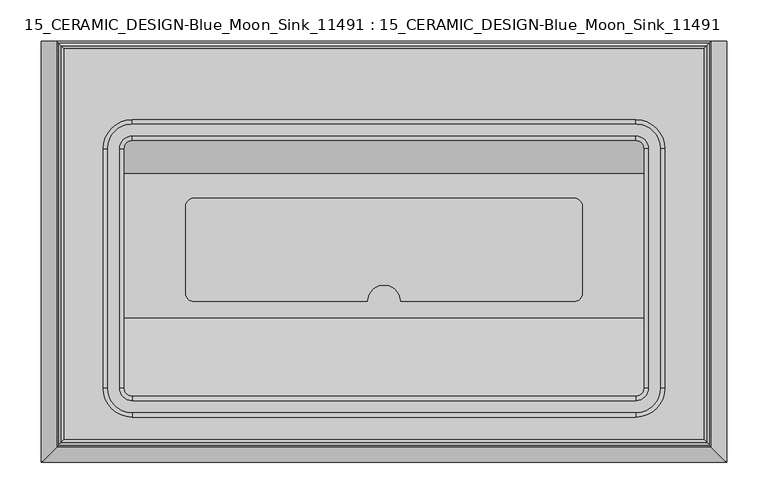
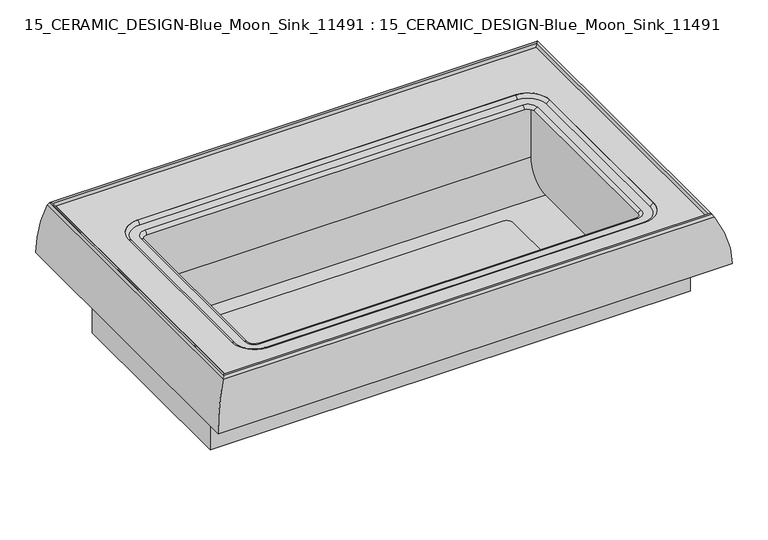
"""IFC4 building model written with IfcOpenShell, lengths in millimetres: proxy geometry, 15_CERAMIC_DESIGN-Blue_Moon_Sink_11491 : 15_CERAMIC_DESIGN-Blue_Moon_Sink_11491."""

from ifc_helpers import new_model, si_unit, point, frame, frame_2d, origin, place, context, project, spatial, polyline, circle_curve, ellipse_curve, trimmed, segment, composite_curve, outline, extrude, source, transform, mapped, element, save
from ifc_brep_helpers import plane_surface, cylinder_surface, revolved_surface, advanced_brep


def proxy_15_ceramic_design_blue_moon_sink_11491_15_ceramic_852ec5a0(model_context):
    return source(origin(), model_context, "Body", "SolidModel", [
        extrude(outline(composite_curve([segment(polyline([(-240.0, -305.0), (-240.0, -200.0)]), True, "CONTINUOUS"), segment(trimmed(circle_curve(frame_2d((-230.0, -200.0)), 10.0), [point((-240.0, -200.0))], [point((-230.0, -190.0))], False, "CARTESIAN"), True, "CONTINUOUS"), segment(polyline([(-230.0, -190.0), (0.0, -190.0), (230.0, -190.0)]), True, "CONTINUOUS"), segment(trimmed(circle_curve(frame_2d((230.0, -200.0)), 10.0), [point((230.0, -190.0))], [point((240.0, -200.0))], False, "CARTESIAN"), True, "CONTINUOUS"), segment(polyline([(240.0, -200.0), (240.0, -305.0)]), True, "CONTINUOUS"), segment(trimmed(circle_curve(frame_2d((230.0, -305.0)), 10.0), [point((240.0, -305.0))], [point((230.0, -315.0))], False, "CARTESIAN"), True, "CONTINUOUS"), segment(polyline([(230.0, -315.0), (20.0, -315.0)]), True, "CONTINUOUS"), segment(trimmed(circle_curve(frame_2d((0.0, -315.0)), 20.0), [point((20.0, -315.0))], [point((-20.0, -315.0))], True, "CARTESIAN"), True, "CONTINUOUS"), segment(polyline([(-20.0, -315.0), (-230.0, -315.0)]), True, "CONTINUOUS"), segment(trimmed(circle_curve(frame_2d((-230.0, -305.0)), 10.0), [point((-230.0, -315.0))], [point((-240.0, -305.0))], False, "CARTESIAN"), True, "CONTINUOUS")], self_intersect=False)), frame((0.0, 0.0, 760.941901), z_axis=(0.0, 0.0, 1.0), x_axis=(1.0, 0.0, 0.0)), (0.0, 0.0, 1.0), 2.0407983),
        advanced_brep(
        [(-315.0, -160.0, 760.0), (-315.0, -120.0, 800.0), (-315.0, -120.0, 884.6404824), (-315.0, -129.9999964, 884.6404824), (-315.0, -420.0, 884.6404824), (-315.0, -430.0, 884.6404824), (-315.0, -430.0, 864.6404824), (-315.0, -334.7858212, 760.0), (-387.6826632, -110.0, 820.0), (-387.6826632, -110.0, 740.0), (-387.6826632, -440.0, 740.0), (-387.6826632, -440.0, 820.0), (387.6826632, -440.0, 820.0), (387.6826632, -440.0, 740.0), (387.6826632, -110.0, 740.0), (387.6826632, -110.0, 820.0), (315.0, -160.0, 760.0), (315.0, -120.0, 800.0), (315.0, -334.7858212, 760.0), (315.0, -430.0, 864.6404824), (-305.0000293, -430.0, 884.6404824), (305.0, -430.0, 884.6404824), (315.0, -430.0, 884.6404824), (415.0, 0.0, 820.0), (415.0, -510.0, 820.0), (-415.0, -510.0, 820.0), (-415.0, 0.0, 820.0), (-30.0, -235.0, 740.0), (30.0, -235.0, 740.0), (-22.5, -235.0, 740.0), (22.5, -235.0, 740.0), (315.0, -120.0, 884.6404824), (305.0000087, -120.0, 884.6404824), (-305.0, -120.0, 884.6404824), (315.0, -420.0000303, 884.6404824), (315.0, -130.0, 884.6404824), (-396.3329403, 0.0, 895.0), (396.3329403, 0.0, 895.0), (-396.3329403, -491.3329403, 895.0), (396.3329403, -491.3329403, 895.0), (-391.138602, -486.138602, 898.4559388), (-393.9217774, -488.9217774, 899.3771994), (393.9217774, -488.9217774, 899.3771994), (391.138602, -486.138602, 898.4559388), (387.6826632, -482.6826632, 895.0), (-387.6826632, -482.6826632, 895.0), (393.9217774, -2.4111629, 899.3771994), (391.138602, -5.1943382, 898.4559388), (387.6826632, -8.6502771, 895.0), (-393.9217774, -2.4111629, 899.3771994), (-391.138602, -5.1943382, 898.4559388), (-387.6826632, -8.6502771, 895.0), (-305.0, -450.0, 889.6404824), (-335.0, -420.0, 889.6404824), (-340.0, -420.0, 894.6404824), (-305.0, -455.0, 894.6404824), (-320.0, -420.0, 889.6404824), (-305.0, -435.0, 889.6404824), (305.0, -455.0, 894.6404824), (305.0, -450.0, 889.6404824), (305.0, -435.0, 889.6404824), (340.0, -420.0, 894.6404824), (335.0, -420.0, 889.6404824), (320.0, -420.0, 889.6404824), (340.0, -130.0, 894.6404824), (335.0, -130.0, 889.6404824), (320.0, -130.0, 889.6404824), (305.0, -95.0, 894.6404824), (305.0, -100.0, 889.6404824), (305.0, -115.0, 889.6404824), (-305.0, -95.0, 894.6404824), (-305.0, -100.0, 889.6404824), (-305.0, -115.0, 889.6404824), (-340.0, -130.0, 894.6404824), (-335.0, -130.0, 889.6404824), (-320.0, -130.0, 889.6404824), (-340.0, -420.0, 895.0), (-340.0, -130.0, 895.0), (-305.0, -95.0, 895.0), (305.0, -95.0, 895.0), (340.0, -130.0, 895.0), (340.0, -420.0, 895.0), (305.0, -455.0, 895.0), (-305.0, -455.0, 895.0), (-30.0, -235.0, 700.0), (30.0, -235.0, 700.0), (-22.5, -235.0, 700.0), (22.5, -235.0, 700.0)],
        [
            (0, 1, circle_curve(frame((-315.0, -160.0, 800.0), z_axis=(1.0, 0.0, 0.0), x_axis=(0.0, -1.0, 0.0)), 40.0)),
            (1, 2),
            (2, 3),
            (3, 4),
            (4, 5),
            (5, 6),
            (6, 7, circle_curve(frame((-315.0, -324.8929106, 864.6404824), z_axis=(1.0, 0.0, 0.0), x_axis=(0.0, -1.0, 0.0)), 105.1070894)),
            (7, 0),
            (8, 9),
            (9, 10),
            (10, 11),
            (11, 8),
            (12, 13),
            (13, 14),
            (14, 15),
            (15, 12),
            (0, 16),
            (16, 17, circle_curve(frame((315.0, -160.0, 800.0), z_axis=(1.0, 0.0, 0.0), x_axis=(0.0, -1.0, 0.0)), 40.0)),
            (17, 1),
            (7, 18),
            (18, 16),
            (6, 19),
            (19, 18, circle_curve(frame((315.0, -324.8929106, 864.6404824), z_axis=(1.0, 0.0, 0.0), x_axis=(0.0, -1.0, 0.0)), 105.1070894)),
            (5, 20),
            (20, 21),
            (21, 22),
            (22, 19),
            (23, 24),
            (24, 25),
            (25, 26),
            (26, 23),
            (11, 12),
            (15, 8),
            (10, 13),
            (9, 14),
            (27, 28, circle_curve(frame((0.0, -235.0, 740.0), z_axis=(0.0, 0.0, 1.0), x_axis=(1.0, 0.0, 0.0)), 30.0)),
            (28, 27, circle_curve(frame((0.0, -235.0, 740.0), z_axis=(0.0, 0.0, 1.0), x_axis=(1.0, 0.0, 0.0)), 30.0)),
            (29, 30, circle_curve(frame((0.0, -235.0, 740.0), z_axis=(0.0, 0.0, -1.0), x_axis=(1.0, 0.0, 0.0)), 22.5)),
            (30, 29, circle_curve(frame((0.0, -235.0, 740.0), z_axis=(0.0, 0.0, -1.0), x_axis=(1.0, 0.0, 0.0)), 22.5)),
            (17, 31),
            (31, 32),
            (32, 33),
            (33, 2),
            (22, 34),
            (34, 35),
            (35, 31),
            (26, 36, circle_curve(frame((-255.0, 0.0, 820.0), z_axis=(0.0, 1.0, 0.0), x_axis=(1.0, 0.0, 0.0)), 160.0)),
            (36, 37),
            (37, 23, circle_curve(frame((255.0, 0.0, 820.0), z_axis=(0.0, 1.0, 0.0), x_axis=(-1.0, 0.0, 0.0)), 160.0)),
            (25, 38, ellipse_curve(frame((-255.0, -350.0, 820.0), z_axis=(-0.7071067811865469, 0.707106781186548, 0.0), x_axis=(0.7071067811865479, 0.7071067811865471, 0.0)), 226.27417, 160.0)),
            (38, 36),
            (24, 39, ellipse_curve(frame((255.0, -350.0, 820.0), z_axis=(-0.707106781186548, -0.707106781186547, 0.0), x_axis=(-0.707106781186547, 0.707106781186548, 0.0)), 226.27417, 160.0)),
            (39, 38),
            (37, 39),
            (40, 41, ellipse_curve(frame((-392.6826632, -487.6826632, 898.4559388), z_axis=(0.7071067811865468, -0.7071067811865482, 0.0), x_axis=(-0.7071067811865482, -0.7071067811865468, 0.0)), 2.1836322, 1.5440612)),
            (41, 42),
            (42, 43, ellipse_curve(frame((392.6826632, -487.6826632, 898.4559388), z_axis=(-0.7071067811865482, -0.7071067811865467, 0.0), x_axis=(-0.7071067811865469, 0.7071067811865481, 0.0)), 2.1836322, 1.5440612)),
            (43, 40),
            (43, 44, ellipse_curve(frame((387.6826632, -482.6826632, 898.4559388), z_axis=(0.7071067811865482, 0.7071067811865467, 0.0), x_axis=(0.7071067811865469, -0.7071067811865481, 0.0)), 4.8874356, 3.4559388)),
            (44, 45),
            (45, 40, ellipse_curve(frame((-387.6826632, -482.6826632, 898.4559388), z_axis=(-0.7071067811865468, 0.7071067811865482, 0.0), x_axis=(0.7071067811865482, 0.7071067811865468, 0.0)), 4.8874356, 3.4559388)),
            (41, 38, ellipse_curve(frame((-255.0, -350.0, 820.0), z_axis=(0.7071067811865468, -0.7071067811865482, 0.0), x_axis=(-0.7071067811865482, -0.7071067811865468, 0.0)), 226.27417, 160.0)),
            (39, 42, ellipse_curve(frame((255.0, -350.0, 820.0), z_axis=(-0.7071067811865482, -0.7071067811865467, 0.0), x_axis=(-0.7071067811865469, 0.7071067811865481, 0.0)), 226.27417, 160.0)),
            (42, 46),
            (46, 47, ellipse_curve(frame((392.6826632, -3.6502771, 898.4559388), z_axis=(0.7071067811865468, -0.7071067811865481, 0.0), x_axis=(-0.707106781186548, -0.7071067811865469, 0.0)), 2.1836322, 1.5440612)),
            (47, 43),
            (47, 48, ellipse_curve(frame((387.6826632, -8.6502771, 898.4559388), z_axis=(-0.7071067811865468, 0.7071067811865481, 0.0), x_axis=(0.707106781186548, 0.7071067811865469, 0.0)), 4.8874356, 3.4559388)),
            (48, 44),
            (37, 46, ellipse_curve(frame((255.0, -141.3329403, 820.0), z_axis=(0.7071067811865468, -0.7071067811865481, 0.0), x_axis=(-0.707106781186548, -0.7071067811865469, 0.0)), 226.27417, 160.0)),
            (46, 49),
            (49, 50, ellipse_curve(frame((-392.6826632, -3.6502771, 898.4559388), z_axis=(0.7071067811865481, 0.7071067811865469, 0.0), x_axis=(0.7071067811865469, -0.707106781186548, 0.0)), 2.1836322, 1.5440612)),
            (50, 47),
            (50, 51, ellipse_curve(frame((-387.6826632, -8.6502771, 898.4559388), z_axis=(-0.7071067811865481, -0.7071067811865469, 0.0), x_axis=(-0.7071067811865469, 0.707106781186548, 0.0)), 4.8874356, 3.4559388)),
            (51, 48),
            (36, 49, ellipse_curve(frame((-255.0, -141.3329403, 820.0), z_axis=(0.7071067811865481, 0.7071067811865469, 0.0), x_axis=(0.7071067811865469, -0.707106781186548, 0.0)), 226.27417, 160.0)),
            (40, 50),
            (49, 41),
            (45, 51),
            (52, 53, circle_curve(frame((-305.0, -420.0, 889.6404824), z_axis=(0.0, 0.0, -1.0), x_axis=(-1.0, 0.0, 0.0)), 30.0)),
            (53, 54, circle_curve(frame((-340.0, -420.0, 889.6404824), z_axis=(0.0, -1.0, 0.0), x_axis=(1.0, 0.0, 0.0)), 5.0)),
            (54, 55, circle_curve(frame((-305.0, -420.0, 894.6404824), z_axis=(0.0, 0.0, 1.0), x_axis=(-1.0, 0.0, 0.0)), 35.0)),
            (55, 52, circle_curve(frame((-305.0, -455.0, 889.6404824), z_axis=(-1.0, 0.0, 0.0), x_axis=(0.0, 1.0, 0.0)), 5.0)),
            (20, 4, circle_curve(frame((-305.0, -420.0, 884.6404824), z_axis=(0.0, 0.0, -1.0), x_axis=(-1.0, 0.0, 0.0)), 10.0)),
            (4, 56, circle_curve(frame((-320.0, -420.0, 884.6404824), z_axis=(0.0, -1.0, 0.0), x_axis=(1.0, 0.0, 0.0)), 5.0)),
            (56, 57, circle_curve(frame((-305.0, -420.0, 889.6404824), z_axis=(0.0, 0.0, 1.0), x_axis=(-1.0, 0.0, 0.0)), 15.0)),
            (57, 20, circle_curve(frame((-305.0, -435.0, 884.6404824), z_axis=(-1.0, 0.0, 0.0), x_axis=(0.0, 1.0, 0.0)), 5.0)),
            (55, 58),
            (58, 59, circle_curve(frame((305.0, -455.0, 889.6404824), z_axis=(-1.0, 0.0, 0.0), x_axis=(0.0, 1.0, 0.0)), 5.0)),
            (59, 52),
            (57, 60),
            (60, 21, circle_curve(frame((305.0, -435.0, 884.6404824), z_axis=(-1.0, 0.0, 0.0), x_axis=(0.0, 1.0, 0.0)), 5.0)),
            (58, 61, circle_curve(frame((305.0, -420.0, 894.6404824), z_axis=(0.0, 0.0, 1.0), x_axis=(0.0, -1.0, 0.0)), 35.0)),
            (61, 62, circle_curve(frame((340.0, -420.0, 889.6404824), z_axis=(0.0, -1.0, 0.0), x_axis=(-1.0, 0.0, 0.0)), 5.0)),
            (62, 59, circle_curve(frame((305.0, -420.0, 889.6404824), z_axis=(0.0, 0.0, -1.0), x_axis=(0.0, -1.0, 0.0)), 30.0)),
            (60, 63, circle_curve(frame((305.0, -420.0, 889.6404824), z_axis=(0.0, 0.0, 1.0), x_axis=(0.0, -1.0, 0.0)), 15.0)),
            (63, 34, circle_curve(frame((320.0, -420.0, 884.6404824), z_axis=(0.0, -1.0, 0.0), x_axis=(-1.0, 0.0, 0.0)), 5.0)),
            (34, 21, circle_curve(frame((305.0, -420.0, 884.6404824), z_axis=(0.0, 0.0, -1.0), x_axis=(0.0, -1.0, 0.0)), 10.0)),
            (61, 64),
            (64, 65, circle_curve(frame((340.0, -130.0, 889.6404824), z_axis=(0.0, -1.0, 0.0), x_axis=(-1.0, 0.0, 0.0)), 5.0)),
            (65, 62),
            (63, 66),
            (66, 35, circle_curve(frame((320.0, -130.0, 884.6404824), z_axis=(0.0, -1.0, 0.0), x_axis=(-1.0, 0.0, 0.0)), 5.0)),
            (64, 67, circle_curve(frame((305.0, -130.0, 894.6404824), z_axis=(0.0, 0.0, 1.0), x_axis=(1.0, 0.0, 0.0)), 35.0)),
            (67, 68, circle_curve(frame((305.0, -95.0, 889.6404824), z_axis=(1.0, 0.0, 0.0), x_axis=(0.0, -1.0, 0.0)), 5.0)),
            (68, 65, circle_curve(frame((305.0, -130.0, 889.6404824), z_axis=(0.0, 0.0, -1.0), x_axis=(1.0, 0.0, 0.0)), 30.0)),
            (66, 69, circle_curve(frame((305.0, -130.0, 889.6404824), z_axis=(0.0, 0.0, 1.0), x_axis=(1.0, 0.0, 0.0)), 15.0)),
            (69, 32, circle_curve(frame((305.0, -115.0, 884.6404824), z_axis=(1.0, 0.0, 0.0), x_axis=(0.0, -1.0, 0.0)), 5.0)),
            (32, 35, circle_curve(frame((305.0, -130.0, 884.6404824), z_axis=(0.0, 0.0, -1.0), x_axis=(1.0, 0.0, 0.0)), 10.0)),
            (67, 70),
            (70, 71, circle_curve(frame((-305.0, -95.0, 889.6404824), z_axis=(1.0, 0.0, 0.0), x_axis=(0.0, -1.0, 0.0)), 5.0)),
            (71, 68),
            (69, 72),
            (72, 33, circle_curve(frame((-305.0, -115.0, 884.6404824), z_axis=(1.0, 0.0, 0.0), x_axis=(0.0, -1.0, 0.0)), 5.0)),
            (70, 73, circle_curve(frame((-305.0, -130.0, 894.6404824), z_axis=(0.0, 0.0, 1.0), x_axis=(0.0, 1.0, 0.0)), 35.0)),
            (73, 74, circle_curve(frame((-340.0, -130.0, 889.6404824), z_axis=(0.0, 1.0, 0.0), x_axis=(1.0, 0.0, 0.0)), 5.0)),
            (74, 71, circle_curve(frame((-305.0, -130.0, 889.6404824), z_axis=(0.0, 0.0, -1.0), x_axis=(0.0, 1.0, 0.0)), 30.0)),
            (72, 75, circle_curve(frame((-305.0, -130.0, 889.6404824), z_axis=(0.0, 0.0, 1.0), x_axis=(0.0, 1.0, 0.0)), 15.0)),
            (75, 3, circle_curve(frame((-320.0, -130.0, 884.6404824), z_axis=(0.0, 1.0, 0.0), x_axis=(1.0, 0.0, 0.0)), 5.0)),
            (3, 33, circle_curve(frame((-305.0, -130.0, 884.6404824), z_axis=(0.0, 0.0, -1.0), x_axis=(0.0, 1.0, 0.0)), 10.0)),
            (53, 74),
            (73, 54),
            (56, 75),
            (76, 77),
            (77, 78, circle_curve(frame((-305.0, -130.0, 895.0), z_axis=(0.0, 0.0, -1.0), x_axis=(0.0, 1.0, 0.0)), 35.0)),
            (78, 79),
            (79, 80, circle_curve(frame((305.0, -130.0, 895.0), z_axis=(0.0, 0.0, -1.0), x_axis=(1.0, 0.0, 0.0)), 35.0)),
            (80, 81),
            (81, 82, circle_curve(frame((305.0, -420.0, 895.0), z_axis=(0.0, 0.0, -1.0), x_axis=(0.0, -1.0, 0.0)), 35.0)),
            (82, 83),
            (83, 76, circle_curve(frame((-305.0, -420.0, 895.0), z_axis=(0.0, 0.0, -1.0), x_axis=(-1.0, 0.0, 0.0)), 35.0)),
            (76, 54),
            (73, 77),
            (70, 78),
            (67, 79),
            (64, 80),
            (61, 81),
            (58, 82),
            (55, 83),
            (84, 85, circle_curve(frame((0.0, -235.0, 700.0), z_axis=(0.0, 0.0, -1.0), x_axis=(1.0, 0.0, 0.0)), 30.0)),
            (85, 84, circle_curve(frame((0.0, -235.0, 700.0), z_axis=(0.0, 0.0, -1.0), x_axis=(1.0, 0.0, 0.0)), 30.0)),
            (86, 87, circle_curve(frame((0.0, -235.0, 700.0), z_axis=(0.0, 0.0, 1.0), x_axis=(1.0, 0.0, 0.0)), 22.5)),
            (87, 86, circle_curve(frame((0.0, -235.0, 700.0), z_axis=(0.0, 0.0, 1.0), x_axis=(1.0, 0.0, 0.0)), 22.5)),
            (85, 28),
            (27, 84),
            (87, 30),
            (29, 86),
        ],
        [
            plane_surface(frame((-315.0, -430.0, 864.6404824), z_axis=(1.0, 0.0, 0.0), x_axis=(0.0, 0.0, -1.0))),
            plane_surface(frame((-387.6826632, -430.0, 864.6404824), z_axis=(-1.0, 0.0, 0.0), x_axis=(0.0, 0.0, 1.0))),
            plane_surface(frame((387.6826632, -200.0, 800.0), z_axis=(1.0, 0.0, 0.0), x_axis=(0.0, 0.0, 1.0))),
            revolved_surface(polyline([(-315.0, -200.0, 800.0), (315.0, -200.0, 800.0)]), (-387.6826632, -160.0, 800.0), (-1.0, 0.0, 0.0)),
            plane_surface(frame((387.6826632, -160.0, 760.0), z_axis=(0.0, 0.0, 1.0), x_axis=(-1.0, 0.0, 0.0))),
            revolved_surface(polyline([(-315.0, -430.0, 864.6404824), (315.0, -430.0, 864.6404824)]), (-387.6826632, -324.8929106, 864.6404824), (-1.0, 0.0, 0.0)),
            plane_surface(frame((387.6826632, -430.0, 864.6404824), z_axis=(0.0, 1.0, 0.0), x_axis=(-1.0, 0.0, 0.0))),
            plane_surface(frame((387.6826632, -482.6826632, 820.0), z_axis=(0.0, 0.0, -1.0), x_axis=(-1.0, 0.0, 0.0))),
            plane_surface(frame((387.6826632, -440.0, 820.0), z_axis=(0.0, -1.0, 0.0), x_axis=(-1.0, 0.0, 0.0))),
            plane_surface(frame((387.6826632, -440.0, 740.0), z_axis=(0.0, 0.0, -1.0), x_axis=(-1.0, 0.0, 0.0))),
            plane_surface(frame((387.6826632, -110.0, 740.0), z_axis=(0.0, 1.0, 0.0), x_axis=(-1.0, 0.0, 0.0))),
            plane_surface(frame((387.6826632, -120.0, 884.6404824), z_axis=(0.0, -1.0, 0.0), x_axis=(-1.0, 0.0, 0.0))),
            plane_surface(frame((315.0, -430.0, 864.6404824), z_axis=(-1.0, 0.0, 0.0), x_axis=(0.0, 0.0, 1.0))),
            plane_surface(frame((-415.0, 0.0, 820.0), z_axis=(0.0, 1.0, 0.0), x_axis=(0.0, 0.0, 1.0))),
            cylinder_surface(frame((-255.0, 0.0, 820.0), z_axis=(0.0, 1.0, 0.0), x_axis=(1.0, 0.0, 0.0)), 160.0),
            cylinder_surface(frame((-415.0, -350.0, 820.0), z_axis=(-1.0, 0.0, 0.0), x_axis=(0.0, 1.0, 0.0)), 160.0),
            cylinder_surface(frame((255.0, -510.0, 820.0), z_axis=(0.0, -1.0, 0.0), x_axis=(-1.0, 0.0, 0.0)), 160.0),
            cylinder_surface(frame((-396.3329403, -487.6826632, 898.4559388), z_axis=(-1.0, 0.0, 0.0), x_axis=(0.0, 1.0, 0.0)), 1.5440612),
            revolved_surface(polyline([(391.13860205537253, -479.22672439999997, 898.4559388), (-391.13860205537253, -479.22672439999997, 898.4559388)]), (-396.3329403, -482.6826632, 898.4559388), (1.0, 0.0, 0.0)),
            cylinder_surface(frame((-396.3329403, -350.0, 820.0), z_axis=(-1.0, 0.0, 0.0), x_axis=(0.0, 1.0, 0.0)), 160.0),
            cylinder_surface(frame((392.6826632, -491.3329403, 898.4559388), z_axis=(0.0, -1.0, 0.0), x_axis=(-1.0, 0.0, 0.0)), 1.5440612),
            revolved_surface(polyline([(384.22672439999997, -5.194338200000004, 898.4559388), (384.22672439999997, -486.13860205537253, 898.4559388)]), (387.6826632, -491.3329403, 898.4559388), (0.0, 1.0, 0.0)),
            cylinder_surface(frame((255.0, -491.3329403, 820.0), z_axis=(0.0, -1.0, 0.0), x_axis=(-1.0, 0.0, 0.0)), 160.0),
            cylinder_surface(frame((396.3329403, -3.6502771, 898.4559388), z_axis=(1.0, 0.0, 0.0), x_axis=(0.0, -1.0, 0.0)), 1.5440612),
            revolved_surface(polyline([(-391.13860205537253, -12.1062159, 898.4559388), (391.13860205537253, -12.1062159, 898.4559388)]), (396.3329403, -8.6502771, 898.4559388), (-1.0, 0.0, 0.0)),
            cylinder_surface(frame((396.3329403, -141.3329403, 820.0), z_axis=(1.0, 0.0, 0.0), x_axis=(0.0, -1.0, 0.0)), 160.0),
            cylinder_surface(frame((-392.6826632, 0.0, 898.4559388), z_axis=(0.0, 1.0, 0.0), x_axis=(1.0, 0.0, 0.0)), 1.5440612),
            revolved_surface(polyline([(-384.22672439999997, -486.13860205537253, 898.4559388), (-384.22672439999997, -5.1943382, 898.4559388)]), (-387.6826632, 0.0, 898.4559388), (0.0, -1.0, 0.0)),
            revolved_surface(trimmed(ellipse_curve(frame((-340.0, -420.0, 889.6404824), z_axis=(0.0, 1.0, 0.0), x_axis=(1.0, 0.0, 0.0)), 5.0, 5.0), [point((-340.0, -420.0, 894.6404824))], [point((-335.0, -420.0, 889.6404824))], True, "CARTESIAN"), (-305.0, -420.0, 820.0), (0.0, 0.0, 1.0)),
            revolved_surface(trimmed(ellipse_curve(frame((-320.0, -420.0, 884.6404824), z_axis=(0.0, 1.0, 0.0), x_axis=(1.0, 0.0, 0.0)), 5.0, 5.0), [point((-320.0, -420.0, 889.6404824))], [point((-315.0, -420.0, 884.6404824))], True, "CARTESIAN"), (-305.0, -420.0, 820.0), (0.0, 0.0, 1.0)),
            cylinder_surface(frame((-305.0, -455.0, 889.6404824), z_axis=(-1.0, 0.0, 0.0), x_axis=(0.0, 1.0, 0.0)), 5.0),
            cylinder_surface(frame((-305.0, -435.0, 884.6404824), z_axis=(-1.0, 0.0, 0.0), x_axis=(0.0, 1.0, 0.0)), 5.0),
            revolved_surface(trimmed(ellipse_curve(frame((305.0, -455.0, 889.6404824), z_axis=(-1.0, 0.0, 0.0), x_axis=(0.0, 1.0, 0.0)), 5.0, 5.0), [point((305.0, -455.0, 894.6404824))], [point((305.0, -450.0, 889.6404824))], True, "CARTESIAN"), (305.0, -420.0, 820.0), (0.0, 0.0, 1.0)),
            revolved_surface(trimmed(ellipse_curve(frame((305.0, -435.0, 884.6404824), z_axis=(-1.0, 0.0, 0.0), x_axis=(0.0, 1.0, 0.0)), 5.0, 5.0), [point((305.0, -435.0, 889.6404824))], [point((305.0, -430.0, 884.6404824))], True, "CARTESIAN"), (305.0, -420.0, 820.0), (0.0, 0.0, 1.0)),
            cylinder_surface(frame((340.0, -420.0, 889.6404824), z_axis=(0.0, -1.0, 0.0), x_axis=(-1.0, 0.0, 0.0)), 5.0),
            cylinder_surface(frame((320.0, -420.0, 884.6404824), z_axis=(0.0, -1.0, 0.0), x_axis=(-1.0, 0.0, 0.0)), 5.0),
            revolved_surface(trimmed(ellipse_curve(frame((340.0, -130.0, 889.6404824), z_axis=(0.0, -1.0, 0.0), x_axis=(-1.0, 0.0, 0.0)), 5.0, 5.0), [point((340.0, -130.0, 894.6404824))], [point((335.0, -130.0, 889.6404824))], True, "CARTESIAN"), (305.0, -130.0, 820.0), (0.0, 0.0, 1.0)),
            revolved_surface(trimmed(ellipse_curve(frame((320.0, -130.0, 884.6404824), z_axis=(0.0, -1.0, 0.0), x_axis=(-1.0, 0.0, 0.0)), 5.0, 5.0), [point((320.0, -130.0, 889.6404824))], [point((315.0, -130.0, 884.6404824))], True, "CARTESIAN"), (305.0, -130.0, 820.0), (0.0, 0.0, 1.0)),
            cylinder_surface(frame((305.0, -95.0, 889.6404824), z_axis=(1.0, 0.0, 0.0), x_axis=(0.0, -1.0, 0.0)), 5.0),
            cylinder_surface(frame((305.0, -115.0, 884.6404824), z_axis=(1.0, 0.0, 0.0), x_axis=(0.0, -1.0, 0.0)), 5.0),
            revolved_surface(trimmed(ellipse_curve(frame((-305.0, -95.0, 889.6404824), z_axis=(1.0, 0.0, 0.0), x_axis=(0.0, -1.0, 0.0)), 5.0, 5.0), [point((-305.0, -95.0, 894.6404824))], [point((-305.0, -100.0, 889.6404824))], True, "CARTESIAN"), (-305.0, -130.0, 820.0), (0.0, 0.0, 1.0)),
            revolved_surface(trimmed(ellipse_curve(frame((-305.0, -115.0, 884.6404824), z_axis=(1.0, 0.0, 0.0), x_axis=(0.0, -1.0, 0.0)), 5.0, 5.0), [point((-305.0, -115.0, 889.6404824))], [point((-305.0, -120.0, 884.6404824))], True, "CARTESIAN"), (-305.0, -130.0, 820.0), (0.0, 0.0, 1.0)),
            cylinder_surface(frame((-340.0, -130.0, 889.6404824), z_axis=(0.0, 1.0, 0.0), x_axis=(1.0, 0.0, 0.0)), 5.0),
            plane_surface(frame((-335.0, -130.0, 889.6404824), z_axis=(0.0, 0.0, 1.0), x_axis=(0.0, -1.0, 0.0))),
            cylinder_surface(frame((-320.0, -130.0, 884.6404824), z_axis=(0.0, 1.0, 0.0), x_axis=(1.0, 0.0, 0.0)), 5.0),
            plane_surface(frame((-315.0, -130.0, 884.6404824), z_axis=(0.0, 0.0, -1.0), x_axis=(0.0, -1.0, 0.0))),
            plane_surface(frame((-340.0, -130.0, 895.0), z_axis=(0.0, 0.0, 1.0), x_axis=(0.0, 1.0, 0.0))),
            plane_surface(frame((-340.0, -420.0, 895.0), z_axis=(1.0, 0.0, 0.0), x_axis=(0.0, 0.0, -1.0))),
            revolved_surface(polyline([(-305.0, -95.0, 894.6404824), (-305.0, -95.0, 895.0)]), (-305.0, -130.0, 884.6404824), (0.0, 0.0, -1.0)),
            plane_surface(frame((-305.0, -95.0, 895.0), z_axis=(0.0, -1.0, 0.0), x_axis=(0.0, 0.0, -1.0))),
            revolved_surface(polyline([(340.0, -130.0, 894.6404824), (340.0, -130.0, 895.0)]), (305.0, -130.0, 884.6404824), (0.0, 0.0, -1.0)),
            plane_surface(frame((340.0, -130.0, 895.0), z_axis=(-1.0, 0.0, 0.0), x_axis=(0.0, 0.0, -1.0))),
            revolved_surface(polyline([(305.0, -455.0, 894.6404824), (305.0, -455.0, 895.0)]), (305.0, -420.0, 884.6404824), (0.0, 0.0, -1.0)),
            plane_surface(frame((305.0, -455.0, 895.0), z_axis=(0.0, 1.0, 0.0), x_axis=(0.0, 0.0, -1.0))),
            revolved_surface(polyline([(-340.0, -420.0, 894.6404824), (-340.0, -420.0, 895.0)]), (-305.0, -420.0, 884.6404824), (0.0, 0.0, -1.0)),
            plane_surface(frame((30.0, -235.0, 700.0), z_axis=(0.0, 0.0, -1.0), x_axis=(0.0, -1.0, 0.0))),
            cylinder_surface(frame((0.0, -235.0, 700.0), z_axis=(0.0, 0.0, 1.0), x_axis=(1.0, 0.0, 0.0)), 30.0),
            revolved_surface(polyline([(22.5, -235.0, 700.0), (22.5, -235.0, 740.0)]), (0.0, -235.0, 820.0), (0.0, 0.0, -1.0)),
        ],
        [
            (0, [[1, 2, 3, 4, 5, 6, 7, 8]]),
            (1, [[9, 10, 11, 12]]),
            (2, [[13, 14, 15, 16]]),
            (3, [[-1, 17, 18, 19]]),
            (4, [[-8, 20, 21, -17]]),
            (5, [[-7, 22, 23, -20]]),
            (6, [[-6, 24, 25, 26, 27, -22]]),
            (7, [[28, 29, 30, 31], [32, -16, 33, -12]]),
            (8, [[-13, -32, -11, 34]]),
            (9, [[-14, -34, -10, 35], [36, 37]]),
            (9, [[38, 39]]),
            (10, [[-15, -35, -9, -33]]),
            (11, [[-2, -19, 40, 41, 42, 43]]),
            (12, [[-18, -21, -23, -27, 44, 45, 46, -40]]),
            (13, [[47, 48, 49, -31]]),
            (14, [[-47, -30, 50, 51]]),
            (15, [[-29, 52, 53, -50]]),
            (16, [[-28, -49, 54, -52]]),
            (17, [[55, 56, 57, 58]]),
            (18, [[-58, 59, 60, 61]]),
            (19, [[-56, 62, -53, 63]]),
            (20, [[-57, 64, 65, 66]]),
            (21, [[-59, -66, 67, 68]]),
            (22, [[-63, -54, 69, -64]]),
            (23, [[-65, 70, 71, 72]]),
            (24, [[-67, -72, 73, 74]]),
            (25, [[-69, -48, 75, -70]]),
            (26, [[-55, 76, -71, 77]]),
            (27, [[-61, 78, -73, -76]]),
            (14, [[-62, -77, -75, -51]]),
            (28, [[79, 80, 81, 82]]),
            (29, [[83, 84, 85, 86]]),
            (30, [[-82, 87, 88, 89]]),
            (31, [[-86, 90, 91, -25]]),
            (32, [[-88, 92, 93, 94]]),
            (33, [[-91, 95, 96, 97]]),
            (34, [[-93, 98, 99, 100]]),
            (35, [[-96, 101, 102, -45]]),
            (36, [[-99, 103, 104, 105]]),
            (37, [[-102, 106, 107, 108]]),
            (38, [[-104, 109, 110, 111]]),
            (39, [[-107, 112, 113, -42]]),
            (40, [[-110, 114, 115, 116]]),
            (41, [[-113, 117, 118, 119]]),
            (42, [[-80, 120, -115, 121]]),
            (43, [[-79, -89, -94, -100, -105, -111, -116, -120], [-85, 122, -117, -112, -106, -101, -95, -90]]),
            (44, [[-84, -4, -118, -122]]),
            (45, [[-83, -24, -5]]),
            (45, [[-97, -44, -26]]),
            (45, [[-108, -41, -46]]),
            (45, [[-119, -3, -43]]),
            (46, [[-60, -68, -74, -78], [123, 124, 125, 126, 127, 128, 129, 130]]),
            (47, [[-123, 131, -121, 132]]),
            (48, [[-124, -132, -114, 133]]),
            (49, [[-125, -133, -109, 134]]),
            (50, [[-126, -134, -103, 135]]),
            (51, [[-127, -135, -98, 136]]),
            (52, [[-128, -136, -92, 137]]),
            (53, [[-129, -137, -87, 138]]),
            (54, [[-130, -138, -81, -131]]),
            (55, [[139, 140], [141, 142]]),
            (56, [[-140, 143, -36, 144]]),
            (56, [[-139, -144, -37, -143]]),
            (57, [[-142, 145, -38, 146]]),
            (57, [[-141, -146, -39, -145]]),
        ],
    ),
    ])


if __name__ == "__main__":
    model = new_model("IFC4")
    model_context = context("Model", 3, world=origin())
    ifc_project = project(units=[si_unit("LENGTHUNIT", "METRE", prefix="MILLI")], contexts=[model_context])
    site = spatial("IfcSite", under=ifc_project)
    building = spatial("IfcBuilding", under=site)
    placement = place(None, origin())
    proxy_15_ceramic_design_blue_moon_sink_11491_15_ceramic_shape = proxy_15_ceramic_design_blue_moon_sink_11491_15_ceramic_852ec5a0(model_context)
    element("IfcBuildingElementProxy", 1, Name="15_CERAMIC_DESIGN-Blue_Moon_Sink_11491 : 15_CERAMIC_DESIGN-Blue_Moon_Sink_11491", ObjectType="15_CERAMIC_DESIGN-Blue_Moon_Sink_11491 : 15_CERAMIC_DESIGN-Blue_Moon_Sink_11491", at=placement, inside=building, context=model_context, shape_type="MappedRepresentation", body=[
        mapped(proxy_15_ceramic_design_blue_moon_sink_11491_15_ceramic_shape, transform((0.0, 0.0, 0.0), x_axis=(1.0, 0.0, 0.0), y_axis=(0.0, 1.0, 0.0), z_axis=(0.0, 0.0, 1.0))),
    ])
    save(model, "model.ifc")
